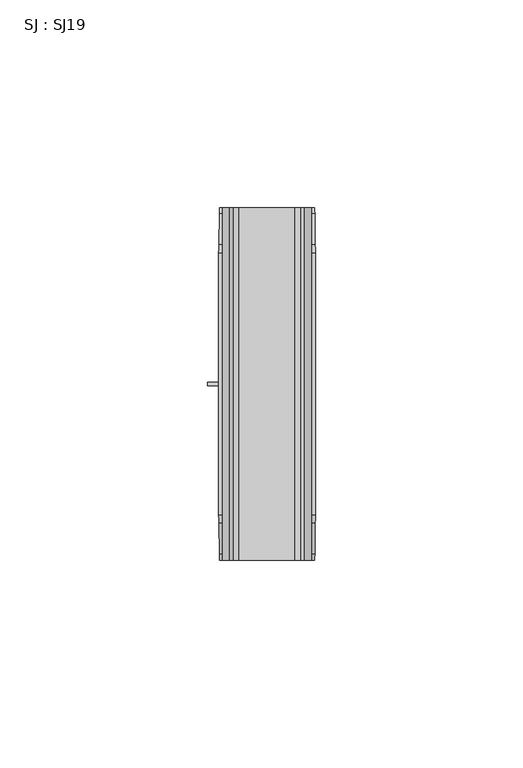
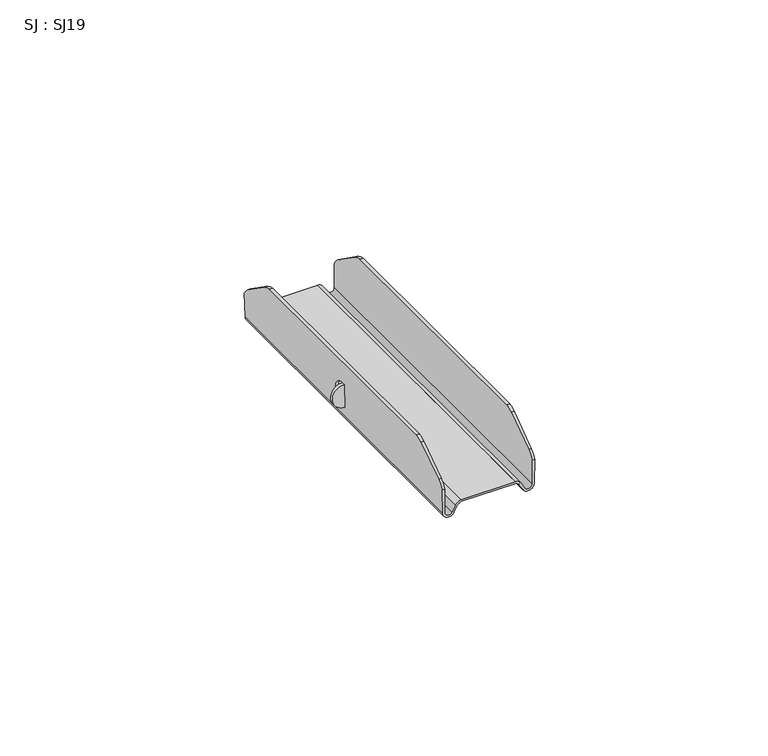
"""IFC4 building model written with IfcOpenShell, lengths in millimetres: proxy geometry, SJ : SJ19."""

from ifc_helpers import new_model, si_unit, point, frame, frame_2d, origin, place, context, project, spatial, polyline, circle_curve, ellipse_curve, trimmed, segment, composite_curve, outline, extrude, source, transform, mapped, element, save
from ifc_brep_helpers import plane_surface, cylinder_surface, revolved_surface, advanced_brep


def sj_sj19_e1dd061b(model_context):
    return source(origin(), model_context, "Body", "SolidModel", [
        extrude(outline(composite_curve([segment(polyline([(-14.2580363, -11.3824284), (-8.2526188, -11.5134681)]), True, "CONTINUOUS"), segment(trimmed(circle_curve(frame_2d((-11.2541672, -11.3947711)), 3.0038945), [point((-8.2526188, -11.5134681))], [point((-14.2580363, -11.3824284))], False, "CARTESIAN"), True, "CONTINUOUS")], self_intersect=False)), frame((0.0, -0.4, 0.0), z_axis=(0.0, 1.0, 0.0), x_axis=(0.0, 0.0, 1.0)), (0.0, 0.0, 1.0), 0.8),
        advanced_brep(
        [(-11.3301802, -42.5, -16.6525213), (-8.5544178, -42.5, -17.3209138), (-7.6910157, -42.5, -15.7682646), (-6.7021565, -42.5, -15.0758579), (6.7021565, -42.5, -15.0758579), (7.6910157, -42.5, -15.7682646), (8.5544178, -42.5, -17.3209138), (11.3301802, -42.5, -16.6525213), (11.4599819, -42.5, -10.3874885), (10.8304848, -42.5, -10.3874885), (10.8304848, -42.5, -16.6350715), (8.9913985, -42.5, -17.0779161), (8.1362787, -42.5, -15.5401608), (6.7212979, -42.5, -14.5758579), (-6.7212979, -42.5, -14.5758579), (-8.1362787, -42.5, -15.5401608), (-8.9913985, -42.5, -17.0779161), (-10.8304848, -42.5, -16.6350715), (-10.8304848, -42.5, -10.3874885), (-11.4668847, -42.5, -10.3874885), (-10.8304848, 42.5, -16.6350715), (-8.9913985, 42.5, -17.0779161), (-8.1362787, 42.5, -15.5401608), (-6.7212979, 42.5, -14.5758579), (6.7212979, 42.5, -14.5758579), (8.1362787, 42.5, -15.5401608), (8.9913985, 42.5, -17.0779161), (10.8304848, 42.5, -16.6350715), (10.8304848, 42.5, -10.3874885), (11.4599819, 42.5, -10.3874885), (11.3301802, 42.5, -16.6525213), (8.5544178, 42.5, -17.3209138), (7.6910157, 42.5, -15.7682646), (6.7021565, 42.5, -15.0758579), (-6.7021565, 42.5, -15.0758579), (-7.6910157, 42.5, -15.7682646), (-8.5544178, 42.5, -17.3209138), (-11.3301802, 42.5, -16.6525213), (-11.4668847, 42.5, -10.3874885), (-10.8304848, 42.5, -10.3874885), (11.4992159, 41.0031402, -8.4938164), (11.6074288, 33.5416761, -3.2707916), (11.6225361, 31.5197326, -2.5416183), (11.6225361, -31.5197326, -2.5416183), (11.6074288, -33.5416761, -3.2707916), (11.4992159, -41.0031402, -8.4938164), (10.8304848, 31.5197326, -2.5416183), (10.8304848, -31.5197326, -2.5416183), (10.8304848, -41.0031402, -8.4938164), (10.8304848, -33.5416761, -3.2707916), (10.8304848, 33.5416761, -3.2707916), (10.8304848, 41.0031402, -8.4938164), (-10.8304848, 41.0031402, -8.4938164), (-10.8304848, 33.5416761, -3.2707916), (-10.8304848, 31.5197326, -2.5416183), (-10.8304848, -31.5197326, -2.5416183), (-10.8304848, -33.5416761, -3.2707916), (-10.8304848, -41.0031402, -8.4938164), (-10.8304848, 0.4, -8.2526026), (-10.8304848, 0.4, -14.2588455), (-11.6380834, 31.5197326, -2.5416183), (-11.6380834, -31.5197326, -2.5416183), (-11.5082051, -41.0031402, -8.4938164), (-11.6221727, -33.5416761, -3.2707916), (-11.6221727, 33.5416761, -3.2707916), (-11.5082051, 41.0031402, -8.4938164), (-11.3824108, 0.4, -14.2588455), (-11.5134684, 0.4, -8.2526026)],
        [
            (0, 1, circle_curve(frame((-9.8493741, -42.5, -16.6008104), z_axis=(0.0, -1.0, 0.0), x_axis=(1.0, 0.0, 0.0)), 1.4817087)),
            (1, 2),
            (2, 3, circle_curve(frame((-6.6017006, -42.5, -16.2716458), z_axis=(0.0, 1.0, 0.0), x_axis=(1.0, 0.0, 0.0)), 1.2)),
            (3, 4),
            (4, 5, circle_curve(frame((6.6017006, -42.5, -16.2716458), z_axis=(0.0, 1.0, 0.0), x_axis=(1.0, 0.0, 0.0)), 1.2)),
            (5, 6),
            (6, 7, circle_curve(frame((9.8493741, -42.5, -16.6008104), z_axis=(0.0, -1.0, 0.0), x_axis=(1.0, 0.0, 0.0)), 1.4817087)),
            (7, 8),
            (8, 9),
            (9, 10),
            (10, 11, circle_curve(frame((9.8493741, -42.5, -16.6008104), z_axis=(0.0, 1.0, 0.0), x_axis=(1.0, 0.0, 0.0)), 0.9817087)),
            (11, 12),
            (12, 13, circle_curve(frame((6.6017006, -42.5, -16.2716458), z_axis=(0.0, -1.0, 0.0), x_axis=(1.0, 0.0, 0.0)), 1.7)),
            (13, 14),
            (14, 15, circle_curve(frame((-6.6017006, -42.5, -16.2716458), z_axis=(0.0, -1.0, 0.0), x_axis=(1.0, 0.0, 0.0)), 1.7)),
            (15, 16),
            (16, 17, circle_curve(frame((-9.8493741, -42.5, -16.6008104), z_axis=(0.0, 1.0, 0.0), x_axis=(1.0, 0.0, 0.0)), 0.9817087)),
            (17, 18),
            (18, 19),
            (19, 0),
            (20, 21, circle_curve(frame((-9.8493741, 42.5, -16.6008104), z_axis=(0.0, -1.0, 0.0), x_axis=(1.0, 0.0, 0.0)), 0.9817087)),
            (21, 22),
            (22, 23, circle_curve(frame((-6.6017006, 42.5, -16.2716458), z_axis=(0.0, 1.0, 0.0), x_axis=(1.0, 0.0, 0.0)), 1.7)),
            (23, 24),
            (24, 25, circle_curve(frame((6.6017006, 42.5, -16.2716458), z_axis=(0.0, 1.0, 0.0), x_axis=(1.0, 0.0, 0.0)), 1.7)),
            (25, 26),
            (26, 27, circle_curve(frame((9.8493741, 42.5, -16.6008104), z_axis=(0.0, -1.0, 0.0), x_axis=(1.0, 0.0, 0.0)), 0.9817087)),
            (27, 28),
            (28, 29),
            (29, 30),
            (30, 31, circle_curve(frame((9.8493741, 42.5, -16.6008104), z_axis=(0.0, 1.0, 0.0), x_axis=(1.0, 0.0, 0.0)), 1.4817087)),
            (31, 32),
            (32, 33, circle_curve(frame((6.6017006, 42.5, -16.2716458), z_axis=(0.0, -1.0, 0.0), x_axis=(1.0, 0.0, 0.0)), 1.2)),
            (33, 34),
            (34, 35, circle_curve(frame((-6.6017006, 42.5, -16.2716458), z_axis=(0.0, -1.0, 0.0), x_axis=(1.0, 0.0, 0.0)), 1.2)),
            (35, 36),
            (36, 37, circle_curve(frame((-9.8493741, 42.5, -16.6008104), z_axis=(0.0, 1.0, 0.0), x_axis=(1.0, 0.0, 0.0)), 1.4817087)),
            (37, 38),
            (38, 39),
            (39, 20),
            (0, 37),
            (36, 1),
            (35, 2),
            (34, 3),
            (33, 4),
            (32, 5),
            (31, 6),
            (30, 7),
            (29, 40, ellipse_curve(frame((11.4040873, 37.1407302, -13.0853074), z_axis=(0.9997854421459224, 0.0, -0.02071399703298473), x_axis=(-0.020713997032986563, 0.0, -0.9997854421459222)), 6.0012876, 6.0)),
            (40, 41),
            (41, 42, ellipse_curve(frame((11.4999348, 30.5281586, -8.4591162), z_axis=(0.9997854421459224, 0.0, -0.02071399703298473), x_axis=(-0.020713997032986563, 0.0, -0.9997854421459222)), 6.0012876, 6.0)),
            (42, 43),
            (43, 44, ellipse_curve(frame((11.4999348, -30.5281586, -8.4591162), z_axis=(0.9997854421459224, 0.0, -0.02071399703298473), x_axis=(-0.020713997032986563, 0.0, -0.9997854421459222)), 6.0012876, 6.0)),
            (44, 45),
            (45, 8, ellipse_curve(frame((11.4040873, -37.1407302, -13.0853074), z_axis=(0.9997854421459224, 0.0, -0.02071399703298473), x_axis=(-0.020713997032986563, 0.0, -0.9997854421459222)), 6.0012876, 6.0)),
            (42, 46),
            (46, 47),
            (47, 43),
            (27, 10),
            (9, 48, circle_curve(frame((10.8304848, -37.1407302, -13.0853074), z_axis=(-1.0, 0.0, 0.0), x_axis=(0.0, 1.0, 0.0)), 6.0)),
            (48, 49),
            (49, 47, circle_curve(frame((10.8304848, -30.5281586, -8.4591162), z_axis=(-1.0, 0.0, 0.0), x_axis=(0.0, 1.0, 0.0)), 6.0)),
            (46, 50, circle_curve(frame((10.8304848, 30.5281586, -8.4591162), z_axis=(-1.0, 0.0, 0.0), x_axis=(0.0, 1.0, 0.0)), 6.0)),
            (50, 51),
            (51, 28, circle_curve(frame((10.8304848, 37.1407302, -13.0853074), z_axis=(-1.0, 0.0, 0.0), x_axis=(0.0, 1.0, 0.0)), 6.0)),
            (26, 11),
            (25, 12),
            (24, 13),
            (23, 14),
            (22, 15),
            (21, 16),
            (20, 17),
            (39, 52, circle_curve(frame((-10.8304848, 37.1407302, -13.0853074), z_axis=(1.0, 0.0, 0.0), x_axis=(0.0, 1.0, 0.0)), 6.0)),
            (52, 53),
            (53, 54, circle_curve(frame((-10.8304848, 30.5281586, -8.4591162), z_axis=(1.0, 0.0, 0.0), x_axis=(0.0, 1.0, 0.0)), 6.0)),
            (54, 55),
            (55, 56, circle_curve(frame((-10.8304848, -30.5281586, -8.4591162), z_axis=(1.0, 0.0, 0.0), x_axis=(0.0, 1.0, 0.0)), 6.0)),
            (56, 57),
            (57, 18, circle_curve(frame((-10.8304848, -37.1407302, -13.0853074), z_axis=(1.0, 0.0, 0.0), x_axis=(0.0, 1.0, 0.0)), 6.0)),
            (58, 59, circle_curve(frame((-10.8304848, 0.4, -11.2557241), z_axis=(-1.0, 0.0, 0.0), x_axis=(0.0, 1.0, 0.0)), 3.0031215)),
            (59, 58),
            (54, 60),
            (60, 61),
            (61, 55),
            (19, 62, ellipse_curve(frame((-11.4080176, -37.1407302, -13.0853074), z_axis=(-0.9997620236369286, 0.0, -0.021815042823554093), x_axis=(-0.021815042823553718, 0.0, 0.9997620236369285)), 6.0014282, 6.0)),
            (62, 63),
            (63, 61, ellipse_curve(frame((-11.5089622, -30.5281586, -8.4591162), z_axis=(-0.9997620236369286, 0.0, -0.021815042823554093), x_axis=(-0.021815042823553718, 0.0, 0.9997620236369285)), 6.0014282, 6.0)),
            (60, 64, ellipse_curve(frame((-11.5089622, 30.5281586, -8.4591162), z_axis=(-0.9997620236369286, 0.0, -0.021815042823554093), x_axis=(-0.021815042823553718, 0.0, 0.9997620236369285)), 6.0014282, 6.0)),
            (64, 65),
            (65, 38, ellipse_curve(frame((-11.4080176, 37.1407302, -13.0853074), z_axis=(-0.9997620236369286, 0.0, -0.021815042823554093), x_axis=(-0.021815042823553718, 0.0, 0.9997620236369285)), 6.0014282, 6.0)),
            (66, 67, ellipse_curve(frame((-11.4479396, 0.4, -11.2557241), z_axis=(0.9997620236369286, 0.0, 0.021815042823554093), x_axis=(0.021815042823553718, 0.0, -0.9997620236369285)), 3.0038363, 3.0031215)),
            (67, 66),
            (45, 48),
            (57, 62),
            (44, 49),
            (56, 63),
            (66, 59),
            (58, 67),
            (41, 50),
            (53, 64),
            (40, 51),
            (52, 65),
        ],
        [
            plane_surface(frame((-8.3676654, -42.5, -16.6008104), z_axis=(0.0, -1.0, 0.0), x_axis=(0.0, 0.0, 1.0))),
            plane_surface(frame((-8.3676654, 42.5, -16.6008104), z_axis=(0.0, 1.0, 0.0), x_axis=(0.0, 0.0, -1.0))),
            cylinder_surface(frame((-9.8493741, 42.5, -16.6008104), z_axis=(0.0, -1.0, 0.0), x_axis=(1.0, 0.0, 0.0)), 1.4817087),
            plane_surface(frame((-8.5544178, -42.5, -17.3209138), z_axis=(0.873961458387983, 0.0, -0.48599523583297594), x_axis=(0.0, 1.0, 0.0))),
            revolved_surface(polyline([(-5.4017006, 42.5, -16.2716458), (-5.4017006, -42.5, -16.2716458)]), (-6.6017006, 42.5, -16.2716458), (0.0, 1.0, 0.0)),
            plane_surface(frame((-6.7021565, -42.5, -15.0758579), z_axis=(0.0, 0.0, -1.0), x_axis=(0.0, 1.0, 0.0))),
            revolved_surface(polyline([(7.8017006, 42.5, -16.2716458), (7.8017006, -42.5, -16.2716458)]), (6.6017006, 42.5, -16.2716458), (0.0, 1.0, 0.0)),
            plane_surface(frame((7.6910157, -42.5, -15.7682646), z_axis=(-0.8739614583879829, 0.0, -0.48599523583297627), x_axis=(0.0, 1.0, 0.0))),
            cylinder_surface(frame((9.8493741, 42.5, -16.6008104), z_axis=(0.0, -1.0, 0.0), x_axis=(1.0, 0.0, 0.0)), 1.4817087),
            plane_surface(frame((11.3301802, -42.5, -16.6525213), z_axis=(0.9997854421459224, 0.0, -0.02071399703298473), x_axis=(0.0, 1.0, 0.0))),
            plane_surface(frame((11.6225361, -42.5, -2.5416183), z_axis=(0.0, 0.0, 1.0), x_axis=(0.0, 1.0, 0.0))),
            plane_surface(frame((10.8304848, -42.5, -2.5416183), z_axis=(-1.0, 0.0, 0.0), x_axis=(0.0, 1.0, 0.0))),
            revolved_surface(polyline([(10.8310828, 42.5, -16.6008104), (10.8310828, -42.5, -16.6008104)]), (9.8493741, 42.5, -16.6008104), (0.0, 1.0, 0.0)),
            plane_surface(frame((8.9913985, -42.5, -17.0779161), z_axis=(0.8739614583879753, 0.0, 0.48599523583298976), x_axis=(0.0, 1.0, 0.0))),
            cylinder_surface(frame((6.6017006, 42.5, -16.2716458), z_axis=(0.0, -1.0, 0.0), x_axis=(1.0, 0.0, 0.0)), 1.7),
            plane_surface(frame((6.7212979, -42.5, -14.5758579), z_axis=(0.0, 0.0, 1.0), x_axis=(0.0, 1.0, 0.0))),
            cylinder_surface(frame((-6.6017006, 42.5, -16.2716458), z_axis=(0.0, -1.0, 0.0), x_axis=(1.0, 0.0, 0.0)), 1.7),
            plane_surface(frame((-8.1362787, -42.5, -15.5401608), z_axis=(-0.8739614583879793, 0.0, 0.48599523583298265), x_axis=(0.0, 1.0, 0.0))),
            revolved_surface(polyline([(-8.8676654, 42.5, -16.6008104), (-8.8676654, -42.5, -16.6008104)]), (-9.8493741, 42.5, -16.6008104), (0.0, 1.0, 0.0)),
            plane_surface(frame((-10.8304848, -42.5, -16.6350715), z_axis=(1.0, 0.0, 0.0), x_axis=(0.0, 1.0, 0.0))),
            plane_surface(frame((-10.8304848, -42.5, -2.5416183), z_axis=(0.0, 0.0, 1.0), x_axis=(0.0, 1.0, 0.0))),
            plane_surface(frame((-11.6380834, -42.5, -2.5416183), z_axis=(-0.9997620236369286, 0.0, -0.021815042823554093), x_axis=(0.0, 1.0, 0.0))),
            cylinder_surface(frame((-12.5, -37.1407302, -13.0853074), z_axis=(-1.0, 0.0, 0.0), x_axis=(0.0, 1.0, 0.0)), 6.0),
            plane_surface(frame((12.5, -41.0031402, -8.4938164), z_axis=(0.0, -0.5734623443633278, 0.8192319205190408), x_axis=(-1.0, 0.0, 0.0))),
            cylinder_surface(frame((-12.5, -30.5281586, -8.4591162), z_axis=(-1.0, 0.0, 0.0), x_axis=(0.0, 1.0, 0.0)), 6.0),
            revolved_surface(polyline([(-10.8304848, 3.4031215, -11.2557241), (-11.513468417519444, 3.4031215, -11.2557241)]), (-12.0, 0.4, -11.2557241), (1.0, 0.0, 0.0)),
            plane_surface(frame((-10.4809545, 0.4, -8.2526026), z_axis=(0.0, 1.0, 0.0), x_axis=(-1.0, 0.0, 0.0))),
            cylinder_surface(frame((0.0, 30.5281586, -8.4591162), z_axis=(-1.0, 0.0, 0.0), x_axis=(0.0, 1.0, 0.0)), 6.0),
            plane_surface(frame((12.5, 33.5416761, -3.2707916), z_axis=(0.0, 0.5734623443633615, 0.8192319205190173), x_axis=(-1.0, 0.0, 0.0))),
            cylinder_surface(frame((0.0, 37.1407302, -13.0853074), z_axis=(-1.0, 0.0, 0.0), x_axis=(0.0, 1.0, 0.0)), 6.0),
        ],
        [
            (0, [[1, 2, 3, 4, 5, 6, 7, 8, 9, 10, 11, 12, 13, 14, 15, 16, 17, 18, 19, 20]]),
            (1, [[21, 22, 23, 24, 25, 26, 27, 28, 29, 30, 31, 32, 33, 34, 35, 36, 37, 38, 39, 40]]),
            (2, [[-1, 41, -37, 42]]),
            (3, [[-2, -42, -36, 43]]),
            (4, [[-3, -43, -35, 44]]),
            (5, [[-4, -44, -34, 45]]),
            (6, [[-5, -45, -33, 46]]),
            (7, [[-6, -46, -32, 47]]),
            (8, [[-7, -47, -31, 48]]),
            (9, [[-48, -30, 49, 50, 51, 52, 53, 54, 55, -8]]),
            (10, [[-52, 56, 57, 58]]),
            (11, [[59, -10, 60, 61, 62, -57, 63, 64, 65, -28]]),
            (12, [[-11, -59, -27, 66]]),
            (13, [[-12, -66, -26, 67]]),
            (14, [[-13, -67, -25, 68]]),
            (15, [[-14, -68, -24, 69]]),
            (16, [[-15, -69, -23, 70]]),
            (17, [[-16, -70, -22, 71]]),
            (18, [[-17, -71, -21, 72]]),
            (19, [[-72, -40, 73, 74, 75, 76, 77, 78, 79, -18], [80, 81]]),
            (20, [[-76, 82, 83, 84]]),
            (21, [[-41, -20, 85, 86, 87, -83, 88, 89, 90, -38], [91, 92]]),
            (22, [[93, -60, -9, -55]]),
            (22, [[94, -85, -19, -79]]),
            (23, [[-93, -54, 95, -61]]),
            (23, [[-94, -78, 96, -86]]),
            (24, [[-95, -53, -58, -62]]),
            (24, [[-96, -77, -84, -87]]),
            (25, [[97, -80, 98, -91]]),
            (26, [[-97, -92, -98, -81]]),
            (27, [[99, -63, -56, -51]]),
            (27, [[100, -88, -82, -75]]),
            (28, [[-99, -50, 101, -64]]),
            (28, [[-100, -74, 102, -89]]),
            (29, [[-101, -49, -29, -65]]),
            (29, [[-102, -73, -39, -90]]),
        ],
    ),
    ])


if __name__ == "__main__":
    model = new_model("IFC4")
    model_context = context("Model", 3, world=origin())
    ifc_project = project(units=[si_unit("LENGTHUNIT", "METRE", prefix="MILLI")], contexts=[model_context])
    site = spatial("IfcSite", under=ifc_project)
    building = spatial("IfcBuilding", under=site)
    placement = place(None, origin())
    sj_sj19_shape = sj_sj19_e1dd061b(model_context)
    element("IfcBuildingElementProxy", 1, Name="SJ : SJ19", ObjectType="SJ : SJ19", at=placement, inside=building, context=model_context, shape_type="MappedRepresentation", body=[
        mapped(sj_sj19_shape, transform((0.0, 0.0, 0.0), x_axis=(1.0, 0.0, 0.0), y_axis=(0.0, 1.0, 0.0), z_axis=(0.0, 0.0, 1.0))),
    ])
    save(model, "model.ifc")
